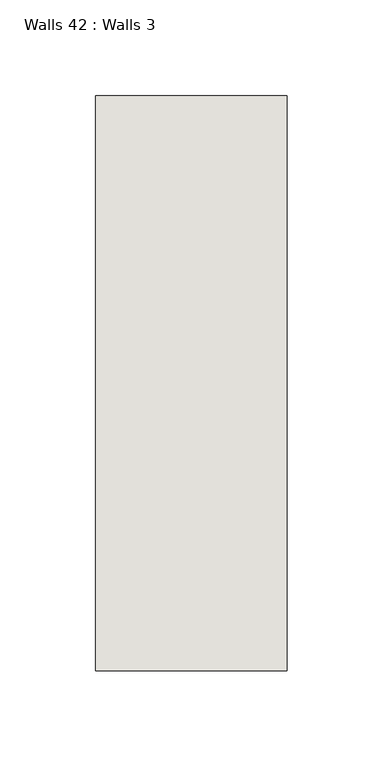
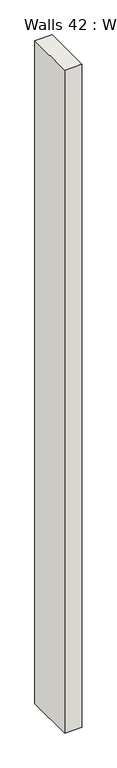
"""IFC4 building model written with IfcOpenShell, lengths in millimetres: wall geometry, Walls 42 : Walls 3."""

from ifc_helpers import new_model, si_unit, origin, origin_with_axes, place, context, project, spatial, polyline, outline, extrude, source, transform, mapped, element, save


def walls_42_walls_3_502ed144(model_context):
    return source(origin(), model_context, "Body", "SweptSolid", [
        extrude(outline(polyline([(-812.3812655, 1518.41264), (-812.3812655, 1818.41264), (-712.3812655, 1818.41264), (-712.3812655, 1518.41264), (-812.3812655, 1518.41264)])), origin_with_axes(), (0.0, 0.0, 1.0), 4085.1192828),
    ])


if __name__ == "__main__":
    model = new_model("IFC4")
    model_context = context("Model", 3, world=origin())
    ifc_project = project(units=[si_unit("LENGTHUNIT", "METRE", prefix="MILLI")], contexts=[model_context])
    site = spatial("IfcSite", under=ifc_project)
    building = spatial("IfcBuilding", under=site)
    placement = place(None, origin())
    walls_42_walls_3_shape = walls_42_walls_3_502ed144(model_context)
    element("IfcWall", 1, ObjectType="Walls 42 : Walls 3", at=placement, inside=building, context=model_context, shape_type="MappedRepresentation", body=[
        mapped(walls_42_walls_3_shape, transform((0.0, 0.0, 0.0), x_axis=(1.0, 0.0, 0.0), y_axis=(0.0, 1.0, 0.0), z_axis=(0.0, 0.0, 1.0))),
    ])
    save(model, "model.ifc")
